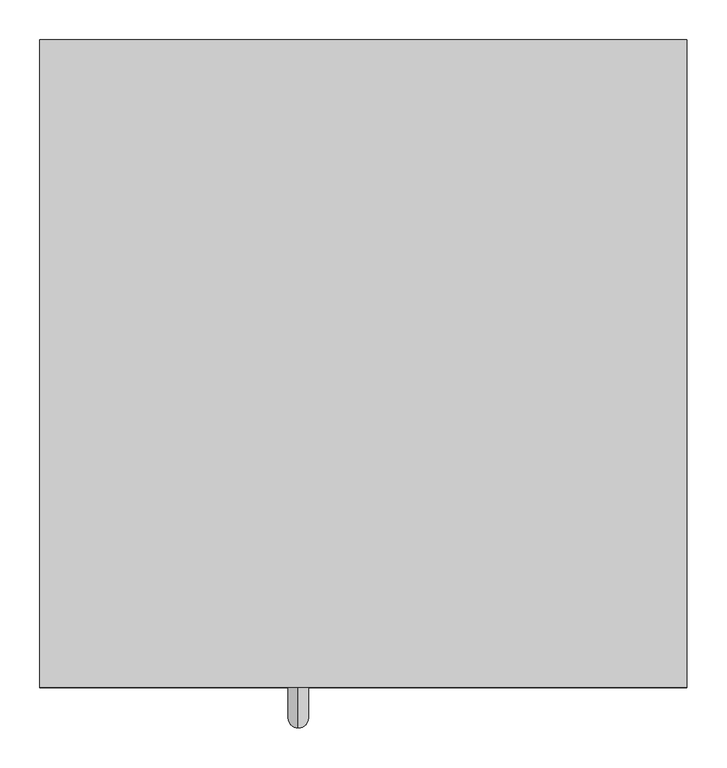
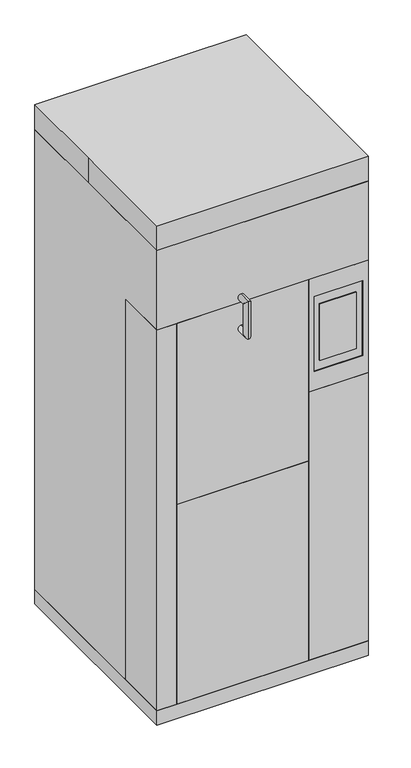
"""IFC4 building model written with IfcOpenShell, lengths in millimetres: proxy geometry."""

from ifc_helpers import new_model, si_unit, frame, origin, origin_with_axes, place, context, project, spatial, polyline, circle_curve, ellipse_curve, outline, extrude, faceted_brep, source, transform, mapped, element, save
from ifc_brep_helpers import plane_surface, cylinder_surface, advanced_brep


def specialty_equipment_c6acaec9(model_context):
    return source(origin(), model_context, "Body", "SolidModel", [
        advanced_brep(
        [(-81.7401213, -457.2, 1641.9059438), (-81.7401213, -457.2, 1616.5059438), (-81.7401213, -508.0, 1641.9059438), (-81.7401213, -482.6, 1616.5059438), (-81.7401213, -508.0, 1489.5059438), (-81.7401213, -482.6, 1514.9059438), (-81.7401213, -457.2, 1489.5059438), (-81.7401213, -457.2, 1514.9059438)],
        [
            (0, 1, circle_curve(frame((-81.7401213, -457.2, 1629.2059438), z_axis=(0.0, 1.0, 0.0), x_axis=(0.0, 0.0, -1.0)), 12.7)),
            (1, 0, circle_curve(frame((-81.7401213, -457.2, 1629.2059438), z_axis=(0.0, 1.0, 0.0), x_axis=(0.0, 0.0, -1.0)), 12.7)),
            (0, 2),
            (2, 3, ellipse_curve(frame((-81.7401213, -495.3, 1629.2059438), z_axis=(0.0, 0.7071067811865492, 0.7071067811865458), x_axis=(0.0, 0.7071067811865458, -0.7071067811865492)), 17.9605122, 12.7)),
            (3, 1),
            (3, 2, ellipse_curve(frame((-81.7401213, -495.3, 1629.2059438), z_axis=(0.0, 0.7071067811865492, 0.7071067811865458), x_axis=(0.0, 0.7071067811865458, -0.7071067811865492)), 17.9605122, 12.7)),
            (2, 4),
            (4, 5, ellipse_curve(frame((-81.7401213, -495.3, 1502.2059438), z_axis=(0.0, -0.7071067811865459, 0.7071067811865492), x_axis=(0.0, 0.7071067811865492, 0.7071067811865458)), 17.9605122, 12.7)),
            (5, 3),
            (5, 4, ellipse_curve(frame((-81.7401213, -495.3, 1502.2059438), z_axis=(0.0, -0.7071067811865459, 0.7071067811865492), x_axis=(0.0, 0.7071067811865492, 0.7071067811865458)), 17.9605122, 12.7)),
            (6, 7, circle_curve(frame((-81.7401213, -457.2, 1502.2059438), z_axis=(0.0, 1.0, 0.0), x_axis=(0.0, 0.0, 1.0)), 12.7)),
            (7, 6, circle_curve(frame((-81.7401213, -457.2, 1502.2059438), z_axis=(0.0, 1.0, 0.0), x_axis=(0.0, 0.0, 1.0)), 12.7)),
            (4, 6),
            (7, 5),
        ],
        [
            plane_surface(frame((-373.4640433, -457.2, 1629.2059438), z_axis=(0.0, 1.0, 0.0), x_axis=(1.0, 0.0, 0.0))),
            cylinder_surface(frame((-81.7401213, -457.2, 1629.2059438), z_axis=(0.0, 1.0, 0.0), x_axis=(0.0, 0.0, -1.0)), 12.7),
            cylinder_surface(frame((-81.7401213, -495.3, 1629.2059438), z_axis=(0.0, 0.0, 1.0), x_axis=(0.0, 1.0, 0.0)), 12.7),
            plane_surface(frame((-373.4640433, -457.2, 1502.2059438), z_axis=(0.0, 1.0, 0.0), x_axis=(1.0, 0.0, 0.0))),
            cylinder_surface(frame((-81.7401213, -495.3, 1502.2059438), z_axis=(0.0, -1.0, 0.0), x_axis=(0.0, 0.0, 1.0)), 12.7),
        ],
        [
            (0, [[1, 2]]),
            (1, [[-1, 3, 4, 5]]),
            (1, [[-2, -5, 6, -3]]),
            (2, [[-4, 7, 8, 9]]),
            (2, [[-6, -9, 10, -7]]),
            (3, [[11, 12]]),
            (4, [[-8, 13, -12, 14]]),
            (4, [[-10, -14, -11, -13]]),
        ],
    ),
        faceted_brep([(406.4, -457.2, 1608.1405581), (177.8, -457.2, 1608.1405581), (177.8, -457.2, 1150.9405581), (406.4, -457.2, 1150.9405581), (198.705987, -457.2, 1531.9405581), (385.494013, -457.2, 1531.9405581), (385.494013, -457.2, 1227.1405581), (198.705987, -457.2, 1227.1405581), (360.094013, -457.2, 1265.2405581), (360.094013, -457.2, 1493.8405581), (220.1789422, -457.2, 1493.8405581), (220.1789422, -457.2, 1265.2405581), (406.4, -246.2781434, 1608.1405581), (406.4, -246.2781434, 1150.9405581), (177.8, -246.2781434, 1150.9405581), (177.8, -246.2781434, 1608.1405581), (385.494013, -454.025, 1531.9405581), (198.705987, -454.025, 1531.9405581), (198.705987, -454.025, 1227.1405581), (385.494013, -454.025, 1227.1405581), (360.094013, -454.025, 1493.8405581), (360.094013, -454.025, 1265.2405581), (220.1789422, -454.025, 1265.2405581), (220.1789422, -454.025, 1493.8405581)], [[[0, 1, 2, 3], [4, 5, 6, 7]], [[8, 9, 10, 11]], [[12, 13, 14, 15]], [[1, 0, 12, 15]], [[2, 1, 15, 14]], [[3, 2, 14, 13]], [[0, 3, 13, 12]], [[16, 17, 18, 19], [20, 21, 22, 23]], [[17, 16, 5, 4]], [[18, 17, 4, 7]], [[19, 18, 7, 6]], [[16, 19, 6, 5]], [[21, 20, 9, 8]], [[22, 21, 8, 11]], [[23, 22, 11, 10]], [[20, 23, 10, 9]]]),
        extrude(outline(polyline([(177.8, -457.2), (-330.2, -457.2), (-330.2, -399.3887587), (177.8, -399.3887587), (177.8, -457.2)])), frame((0.0, 0.0, 871.5405581), z_axis=(0.0, 0.0, 1.0), x_axis=(1.0, 0.0, 0.0)), (0.0, 0.0, 1.0), 736.6),
        faceted_brep([(-330.2, 355.6, 1608.1405581), (-330.2, -246.2781434, 1608.1405581), (-330.2, -246.2781434, 871.5405581), (-330.2, 355.6, 871.5405581), (177.8, -246.2781434, 871.5405581), (177.8, 355.6, 871.5405581), (177.8, -246.2781434, 1608.1405581), (177.8, 355.6, 1608.1405581), (406.4, 355.6, 1930.4), (406.4, -457.2, 1930.4), (406.4, -457.2, 1608.1405581), (406.4, -246.2781434, 1608.1405581), (406.4, -246.2781434, 58.7405581), (406.4, 355.6, 58.7405581), (-406.4, 355.6, 1930.4), (-406.4, 355.6, 58.7405581), (-406.4, -246.2781434, 58.7405581), (-406.4, -246.2781434, 1608.1405581), (-406.4, -457.2, 1608.1405581), (-406.4, -457.2, 1930.4)], [[[0, 1, 2, 3]], [[3, 2, 4, 5]], [[6, 7, 5, 4]], [[8, 9, 10, 11, 12, 13]], [[14, 15, 16, 17, 18, 19]], [[9, 8, 14, 19]], [[10, 9, 19, 18]], [[11, 10, 18, 17, 1, 0, 7, 6]], [[12, 11, 6, 4, 2, 1, 17, 16]], [[13, 12, 16, 15]], [[8, 13, 15, 14], [7, 0, 3, 5]]]),
        extrude(outline(polyline([(177.8, -457.2), (-330.2, -457.2), (-330.2, -246.2781434), (177.8, -246.2781434), (177.8, -457.2)])), frame((0.0, 0.0, 58.7405581), z_axis=(0.0, 0.0, 1.0), x_axis=(1.0, 0.0, 0.0)), (0.0, 0.0, 1.0), 812.8),
        extrude(outline(polyline([(177.8, -399.3887587), (-330.2, -399.3887587), (-330.2, 355.6), (177.8, 355.6), (177.8, -399.3887587)])), frame((0.0, 0.0, 1010.6356947), z_axis=(0.0, 0.0, 1.0), x_axis=(1.0, 0.0, 0.0)), (0.0, 0.0, 1.0), 25.4),
        extrude(outline(polyline([(177.8, -399.3887587), (-330.2, -399.3887587), (-330.2, 355.6), (177.8, 355.6), (177.8, -399.3887587)])), frame((0.0, 0.0, 1355.5883877), z_axis=(0.0, 0.0, 1.0), x_axis=(1.0, 0.0, 0.0)), (0.0, 0.0, 1.0), 25.4),
        extrude(outline(polyline([(-330.2, -457.2), (-406.4, -457.2), (-406.4, -246.2781434), (-330.2, -246.2781434), (-330.2, -457.2)])), frame((0.0, 0.0, 58.7405581), z_axis=(0.0, 0.0, 1.0), x_axis=(1.0, 0.0, 0.0)), (0.0, 0.0, 1.0), 1549.4),
        extrude(outline(polyline([(406.4, 355.6), (406.4, -457.2), (-406.4, -457.2), (-406.4, 355.6), (406.4, 355.6)])), origin_with_axes(), (0.0, 0.0, 1.0), 58.7405581),
        extrude(outline(polyline([(406.4, -457.2), (177.8, -457.2), (177.8, -246.2781434), (406.4, -246.2781434), (406.4, -457.2)])), frame((0.0, 0.0, 58.7405581), z_axis=(0.0, 0.0, 1.0), x_axis=(1.0, 0.0, 0.0)), (0.0, 0.0, 1.0), 1092.2),
        faceted_brep([(-406.4, 355.6, 2032.0), (-406.4, 0.0, 2032.0), (-406.4, -457.2, 2032.0), (406.4, -457.2, 2032.0), (406.4, 355.6, 2032.0), (-406.4, 355.6, 0.0), (406.4, 355.6, 0.0), (406.4, -454.025, 0.0), (406.4, -457.2, 0.0), (-406.4, -457.2, 0.0), (-406.4, -454.025, 0.0), (-406.4, 0.0, 0.0), (-406.4, 355.6, 1870.075), (-406.4, 0.0, 1870.075), (76.2631749, -457.2, 871.5405581), (-279.3368251, -457.2, 871.5405581), (-279.3368251, -457.2, 1506.5405581), (-279.3368251, -457.2, 1608.1405581), (76.2631749, -457.2, 1608.1405581), (198.705987, -457.2, 1531.9405581), (385.494013, -457.2, 1531.9405581), (385.494013, -457.2, 1227.1405581), (198.705987, -457.2, 1227.1405581), (360.094013, -457.2, 1265.2405581), (360.094013, -457.2, 1493.8405581), (220.1789422, -457.2, 1493.8405581), (220.1789422, -457.2, 1265.2405581), (406.4, 355.6, 1870.075), (177.8, 355.6, 1608.1405581), (-330.2, 355.6, 1608.1405581), (-330.2, 355.6, 871.5405581), (177.8, 355.6, 871.5405581), (76.2631749, -399.3887587, 871.5405581), (177.8, -399.3887587, 871.5405581), (-330.2, -399.3887587, 871.5405581), (-279.3368251, -399.3887587, 871.5405581), (76.2631749, -399.3887587, 1608.1405581), (-279.3368251, -399.3887587, 1608.1405581), (-330.2, -399.3887587, 1608.1405581), (177.8, -399.3887587, 1608.1405581), (-279.3368251, -399.3887587, 1506.5405581), (385.494013, -454.025, 1531.9405581), (198.705987, -454.025, 1531.9405581), (198.705987, -454.025, 1227.1405581), (385.494013, -454.025, 1227.1405581), (360.094013, -454.025, 1493.8405581), (360.094013, -454.025, 1265.2405581), (220.1789422, -454.025, 1265.2405581), (220.1789422, -454.025, 1493.8405581)], [[[0, 1, 2, 3, 4]], [[5, 6, 7, 8, 9, 10, 11]], [[1, 0, 12, 5, 11, 13]], [[2, 1, 13, 11, 10, 9]], [[3, 2, 9, 8], [14, 15, 16, 17, 18], [19, 20, 21, 22]], [[23, 24, 25, 26]], [[4, 3, 8, 7, 6, 27]], [[0, 4, 27, 6, 5, 12], [28, 29, 30, 31]], [[15, 14, 32, 33, 31, 30, 34, 35]], [[14, 18, 36, 32]], [[18, 17, 37, 38, 29, 28, 39, 36]], [[17, 16, 40, 37]], [[16, 15, 35, 40]], [[39, 33, 32, 36]], [[34, 38, 37, 40, 35]], [[38, 34, 30, 29]], [[33, 39, 28, 31]], [[41, 42, 43, 44], [45, 46, 47, 48]], [[42, 41, 20, 19]], [[43, 42, 19, 22]], [[44, 43, 22, 21]], [[41, 44, 21, 20]], [[46, 45, 24, 23]], [[47, 46, 23, 26]], [[48, 47, 26, 25]], [[45, 48, 25, 24]]]),
    ])


if __name__ == "__main__":
    model = new_model("IFC4")
    model_context = context("Model", 3, world=origin())
    ifc_project = project(units=[si_unit("LENGTHUNIT", "METRE", prefix="MILLI")], contexts=[model_context])
    site = spatial("IfcSite", under=ifc_project)
    building = spatial("IfcBuilding", under=site)
    placement = place(None, origin())
    specialty_equipment_shape = specialty_equipment_c6acaec9(model_context)
    element("IfcBuildingElementProxy", 1, Name="Specialty Equipment", at=placement, inside=building, context=model_context, shape_type="MappedRepresentation", body=[
        mapped(specialty_equipment_shape, transform((0.0, 0.0, 0.0), x_axis=(1.0, 0.0, 0.0), y_axis=(0.0, 1.0, 0.0), z_axis=(0.0, 0.0, 1.0))),
    ])
    save(model, "model.ifc")
